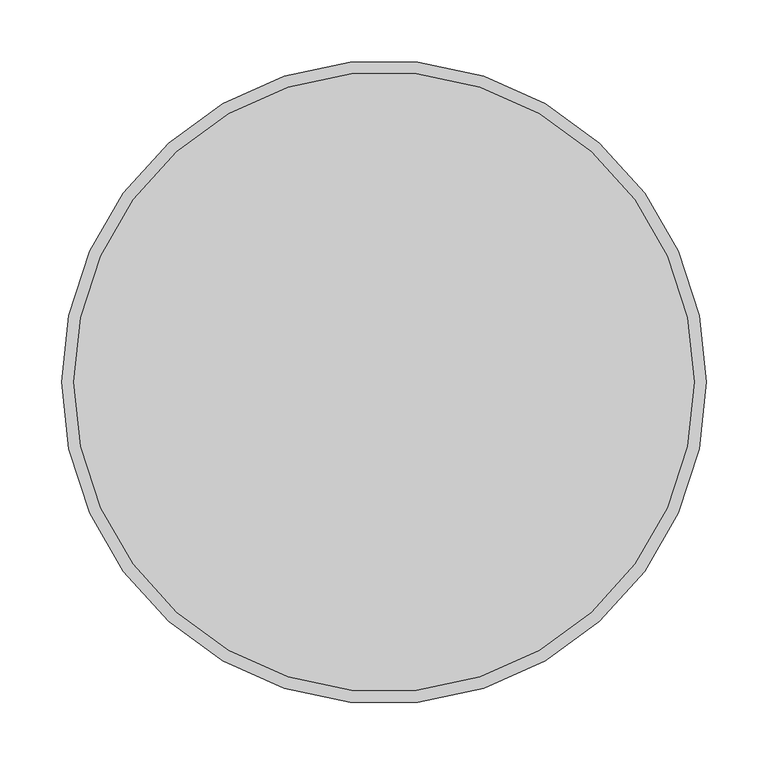
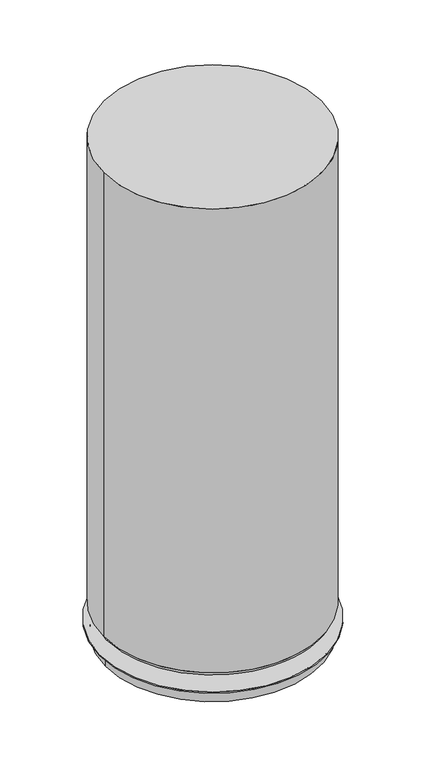
"""IFC4 building model written with IfcOpenShell, lengths in millimetres: furniture geometry."""

from ifc_helpers import new_model, si_unit, frame, origin, place, context, project, spatial, polyline, circle_curve, source, transform, mapped, element, save
from ifc_brep_helpers import plane_surface, cylinder_surface, revolved_surface, advanced_brep


def furniture_530259d4(model_context):
    return source(origin(), model_context, "Body", "AdvancedBrep", [
        advanced_brep(
        [(560.6054133, 44.45, 33.0000002), (1080.5434133, 44.45, 33.0000002), (669.3492395, 94.0870673, 33.0000002), (647.6997067, 94.0870673, 33.0000002), (831.3991797, 211.0294905, 33.0000002), (809.7496468, 211.0294905, 33.0000002), (993.0988968, 93.7208599, 33.0000002), (971.4493639, 93.7208599, 33.0000002), (931.6970055, -96.0262239, 33.0000002), (910.0474727, -96.0262239, 33.0000002), (731.4391224, -96.4518387, 33.0000002), (709.7895895, -96.4518387, 33.0000002), (560.6054133, 44.45, 30.0000016), (1080.5434133, 44.45, 30.0000016), (574.2004548, 44.45, 30.0000016), (1066.9483717, 44.45, 30.0000016), (574.2004548, 44.45, 0.0), (1066.9483717, 44.45, 0.0), (647.6997067, 94.0870673, 64.0000043), (669.3492395, 94.0870673, 64.0000043), (809.7496468, 211.0294905, 64.0000043), (831.3991797, 211.0294905, 64.0000043), (971.4493639, 93.7208599, 64.0000043), (993.0988968, 93.7208599, 64.0000043), (910.0474727, -96.0262239, 64.0000043), (931.6970055, -96.0262239, 64.0000043), (709.7895895, -96.4518387, 64.0000043), (731.4391224, -96.4518387, 64.0000043)],
        [
            (0, 1, circle_curve(frame((820.5744133, 44.45, 33.0000002), z_axis=(0.0, 0.0, 1.0), x_axis=(1.0, 0.0, 0.0)), 259.969)),
            (1, 0, circle_curve(frame((820.5744133, 44.45, 33.0000002), z_axis=(0.0, 0.0, 1.0), x_axis=(1.0, 0.0, 0.0)), 259.969)),
            (2, 3, circle_curve(frame((658.5244731, 94.0870673, 33.0000002), z_axis=(0.0, 0.0, -1.0), x_axis=(1.0, 0.0, 0.0)), 10.8247664)),
            (3, 2, circle_curve(frame((658.5244731, 94.0870673, 33.0000002), z_axis=(0.0, 0.0, -1.0), x_axis=(1.0, 0.0, 0.0)), 10.8247664)),
            (4, 5, circle_curve(frame((820.5744133, 211.0294905, 33.0000002), z_axis=(0.0, 0.0, -1.0), x_axis=(1.0, 0.0, 0.0)), 10.8247664)),
            (5, 4, circle_curve(frame((820.5744133, 211.0294905, 33.0000002), z_axis=(0.0, 0.0, -1.0), x_axis=(1.0, 0.0, 0.0)), 10.8247664)),
            (6, 7, circle_curve(frame((982.2741304, 93.7208599, 33.0000002), z_axis=(0.0, 0.0, -1.0), x_axis=(1.0, 0.0, 0.0)), 10.8247664)),
            (7, 6, circle_curve(frame((982.2741304, 93.7208599, 33.0000002), z_axis=(0.0, 0.0, -1.0), x_axis=(1.0, 0.0, 0.0)), 10.8247664)),
            (8, 9, circle_curve(frame((920.8722391, -96.0262239, 33.0000002), z_axis=(0.0, 0.0, -1.0), x_axis=(1.0, 0.0, 0.0)), 10.8247664)),
            (9, 8, circle_curve(frame((920.8722391, -96.0262239, 33.0000002), z_axis=(0.0, 0.0, -1.0), x_axis=(1.0, 0.0, 0.0)), 10.8247664)),
            (10, 11, circle_curve(frame((720.614356, -96.4518387, 33.0000002), z_axis=(0.0, 0.0, -1.0), x_axis=(1.0, 0.0, 0.0)), 10.8247664)),
            (11, 10, circle_curve(frame((720.614356, -96.4518387, 33.0000002), z_axis=(0.0, 0.0, -1.0), x_axis=(1.0, 0.0, 0.0)), 10.8247664)),
            (12, 13, circle_curve(frame((820.5744133, 44.45, 30.0000016), z_axis=(0.0, 0.0, -1.0), x_axis=(1.0, 0.0, 0.0)), 259.969)),
            (13, 12, circle_curve(frame((820.5744133, 44.45, 30.0000016), z_axis=(0.0, 0.0, -1.0), x_axis=(1.0, 0.0, 0.0)), 259.969)),
            (14, 15, circle_curve(frame((820.5744133, 44.45, 30.0000016), z_axis=(0.0, 0.0, 1.0), x_axis=(1.0, 0.0, 0.0)), 246.3739585)),
            (15, 14, circle_curve(frame((820.5744133, 44.45, 30.0000016), z_axis=(0.0, 0.0, 1.0), x_axis=(1.0, 0.0, 0.0)), 246.3739585)),
            (0, 12),
            (13, 1),
            (16, 17, circle_curve(frame((820.5744133, 44.45, 0.0), z_axis=(0.0, 0.0, -1.0), x_axis=(1.0, 0.0, 0.0)), 246.3739585)),
            (17, 16, circle_curve(frame((820.5744133, 44.45, 0.0), z_axis=(0.0, 0.0, -1.0), x_axis=(1.0, 0.0, 0.0)), 246.3739585)),
            (17, 15),
            (14, 16),
            (18, 19, circle_curve(frame((658.5244731, 94.0870673, 64.0000043), z_axis=(0.0, 0.0, 1.0), x_axis=(1.0, 0.0, 0.0)), 10.8247664)),
            (19, 18, circle_curve(frame((658.5244731, 94.0870673, 64.0000043), z_axis=(0.0, 0.0, 1.0), x_axis=(1.0, 0.0, 0.0)), 10.8247664)),
            (20, 21, circle_curve(frame((820.5744133, 211.0294905, 64.0000043), z_axis=(0.0, 0.0, 1.0), x_axis=(1.0, 0.0, 0.0)), 10.8247664)),
            (21, 20, circle_curve(frame((820.5744133, 211.0294905, 64.0000043), z_axis=(0.0, 0.0, 1.0), x_axis=(1.0, 0.0, 0.0)), 10.8247664)),
            (22, 23, circle_curve(frame((982.2741304, 93.7208599, 64.0000043), z_axis=(0.0, 0.0, 1.0), x_axis=(1.0, 0.0, 0.0)), 10.8247664)),
            (23, 22, circle_curve(frame((982.2741304, 93.7208599, 64.0000043), z_axis=(0.0, 0.0, 1.0), x_axis=(1.0, 0.0, 0.0)), 10.8247664)),
            (24, 25, circle_curve(frame((920.8722391, -96.0262239, 64.0000043), z_axis=(0.0, 0.0, 1.0), x_axis=(1.0, 0.0, 0.0)), 10.8247664)),
            (25, 24, circle_curve(frame((920.8722391, -96.0262239, 64.0000043), z_axis=(0.0, 0.0, 1.0), x_axis=(1.0, 0.0, 0.0)), 10.8247664)),
            (26, 27, circle_curve(frame((720.614356, -96.4518387, 64.0000043), z_axis=(0.0, 0.0, 1.0), x_axis=(1.0, 0.0, 0.0)), 10.8247664)),
            (27, 26, circle_curve(frame((720.614356, -96.4518387, 64.0000043), z_axis=(0.0, 0.0, 1.0), x_axis=(1.0, 0.0, 0.0)), 10.8247664)),
            (18, 3),
            (2, 19),
            (20, 5),
            (4, 21),
            (22, 7),
            (6, 23),
            (24, 9),
            (8, 25),
            (26, 11),
            (10, 27),
        ],
        [
            plane_surface(frame((1080.5434133, 44.45, 33.0000002), z_axis=(0.0, 0.0, 1.0), x_axis=(0.0, 1.0, 0.0))),
            plane_surface(frame((1080.5434133, 44.45, 30.0000016), z_axis=(0.0, 0.0, -1.0), x_axis=(0.0, -1.0, 0.0))),
            cylinder_surface(frame((820.5744133, 44.45, 30.0000016), z_axis=(0.0, 0.0, 1.0), x_axis=(1.0, 0.0, 0.0)), 259.969),
            plane_surface(frame((1066.9483717, 44.45, 0.0), z_axis=(0.0, 0.0, -1.0), x_axis=(0.0, -1.0, 0.0))),
            cylinder_surface(frame((820.5744133, 44.45, 0.0), z_axis=(0.0, 0.0, 1.0), x_axis=(1.0, 0.0, 0.0)), 246.3739585),
            plane_surface(frame((669.3492395, 94.0870673, 64.0000043), z_axis=(0.0, 0.0, 1.0), x_axis=(0.0, 1.0, 0.0))),
            cylinder_surface(frame((658.5244731, 94.0870673, 33.0000002), z_axis=(0.0, 0.0, 1.0), x_axis=(1.0, 0.0, 0.0)), 10.8247664),
            cylinder_surface(frame((820.5744133, 211.0294905, 0.0), z_axis=(0.0, 0.0, 1.0), x_axis=(1.0, 0.0, 0.0)), 10.8247664),
            cylinder_surface(frame((982.2741304, 93.7208599, 0.0), z_axis=(0.0, 0.0, 1.0), x_axis=(1.0, 0.0, 0.0)), 10.8247664),
            cylinder_surface(frame((920.8722391, -96.0262239, 0.0), z_axis=(0.0, 0.0, 1.0), x_axis=(1.0, 0.0, 0.0)), 10.8247664),
            cylinder_surface(frame((720.614356, -96.4518387, 0.0), z_axis=(0.0, 0.0, 1.0), x_axis=(1.0, 0.0, 0.0)), 10.8247664),
        ],
        [
            (0, [[1, 2], [3, 4], [5, 6], [7, 8], [9, 10], [11, 12]]),
            (1, [[13, 14], [15, 16]]),
            (2, [[-1, 17, -14, 18]]),
            (2, [[-2, -18, -13, -17]]),
            (3, [[19, 20]]),
            (4, [[-20, 21, -15, 22]]),
            (4, [[-19, -22, -16, -21]]),
            (5, [[23, 24]]),
            (5, [[25, 26]]),
            (5, [[27, 28]]),
            (5, [[29, 30]]),
            (5, [[31, 32]]),
            (6, [[-23, 33, -3, 34]]),
            (6, [[-24, -34, -4, -33]]),
            (7, [[-25, 35, -5, 36]]),
            (7, [[-26, -36, -6, -35]]),
            (8, [[-27, 37, -7, 38]]),
            (8, [[-28, -38, -8, -37]]),
            (9, [[-29, 39, -9, 40]]),
            (9, [[-30, -40, -10, -39]]),
            (10, [[-31, 41, -11, 42]]),
            (10, [[-32, -42, -12, -41]]),
        ],
    ),
        advanced_brep(
        [(570.2842955, 44.45, 1199.8523437), (1070.864531, 44.45, 1199.8523437), (570.2842955, 44.45, 72.8366515), (1070.864531, 44.45, 72.8366515), (575.8522231, 44.45, 64.0000043), (1065.2966034, 44.45, 64.0000043)],
        [
            (0, 1, circle_curve(frame((820.5744133, 44.45, 1199.8523437), z_axis=(0.0, 0.0, 1.0), x_axis=(0.0, -1.0, 0.0)), 250.2901177)),
            (1, 0, circle_curve(frame((820.5744133, 44.45, 1199.8523437), z_axis=(0.0, 0.0, 1.0), x_axis=(0.0, 1.0, 0.0)), 250.2901177)),
            (0, 2),
            (2, 3, circle_curve(frame((820.5744133, 44.45, 72.8366515), z_axis=(0.0, 0.0, 1.0), x_axis=(0.0, -1.0, 0.0)), 250.2901177)),
            (3, 1),
            (3, 2, circle_curve(frame((820.5744133, 44.45, 72.8366515), z_axis=(0.0, 0.0, 1.0), x_axis=(0.0, 1.0, 0.0)), 250.2901177)),
            (4, 5, circle_curve(frame((820.5744133, 44.45, 64.0000043), z_axis=(0.0, 0.0, -1.0), x_axis=(1.0, 0.0, 0.0)), 244.7221901)),
            (5, 4, circle_curve(frame((820.5744133, 44.45, 64.0000043), z_axis=(0.0, 0.0, -1.0), x_axis=(-1.0, 0.0, 0.0)), 244.7221901)),
            (5, 3),
            (2, 4),
        ],
        [
            plane_surface(frame((820.5744133, 44.45, 1199.8523437), z_axis=(0.0, 0.0, 1.0), x_axis=(0.0, -1.0, 0.0))),
            cylinder_surface(frame((820.5744133, 44.45, 72.8366515), z_axis=(0.0, 0.0, 1.0), x_axis=(0.0, -1.0, 0.0)), 250.2901177),
            cylinder_surface(frame((820.5744133, 44.45, 72.8366515), z_axis=(0.0, 0.0, 1.0), x_axis=(0.0, 1.0, 0.0)), 250.2901177),
            plane_surface(frame((820.5744133, 44.45, 64.0000043), z_axis=(0.0, 0.0, -1.0), x_axis=(0.0, -1.0, 0.0))),
            revolved_surface(polyline([(1065.2966034173432, 44.45, 64.0000043), (1070.864531, 44.45, 72.83665150000002)]), (820.5744133, 44.45, -324.3893244), (0.0, 0.0, 1.0)),
            revolved_surface(polyline([(575.8522230848814, 44.45, 64.0000043), (570.2842955, 44.45, 72.83665150000002)]), (820.5744133, 44.45, -324.3893244), (0.0, 0.0, 1.0)),
        ],
        [
            (0, [[1, 2]]),
            (1, [[-1, 3, 4, 5]]),
            (2, [[-2, -5, 6, -3]]),
            (3, [[7, 8]]),
            (4, [[-8, 9, -4, 10]]),
            (5, [[-7, -10, -6, -9]]),
        ],
    ),
    ])


if __name__ == "__main__":
    model = new_model("IFC4")
    model_context = context("Model", 3, world=origin())
    ifc_project = project(units=[si_unit("LENGTHUNIT", "METRE", prefix="MILLI")], contexts=[model_context])
    site = spatial("IfcSite", under=ifc_project)
    building = spatial("IfcBuilding", under=site)
    placement = place(None, origin())
    furniture_shape = furniture_530259d4(model_context)
    element("IfcFurniture", 1, at=placement, inside=building, context=model_context, shape_type="MappedRepresentation", body=[
        mapped(furniture_shape, transform((0.0, 0.0, 0.0), x_axis=(1.0, 0.0, 0.0), y_axis=(0.0, 1.0, 0.0), z_axis=(0.0, 0.0, 1.0))),
    ])
    save(model, "model.ifc")
